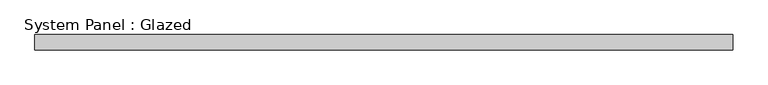
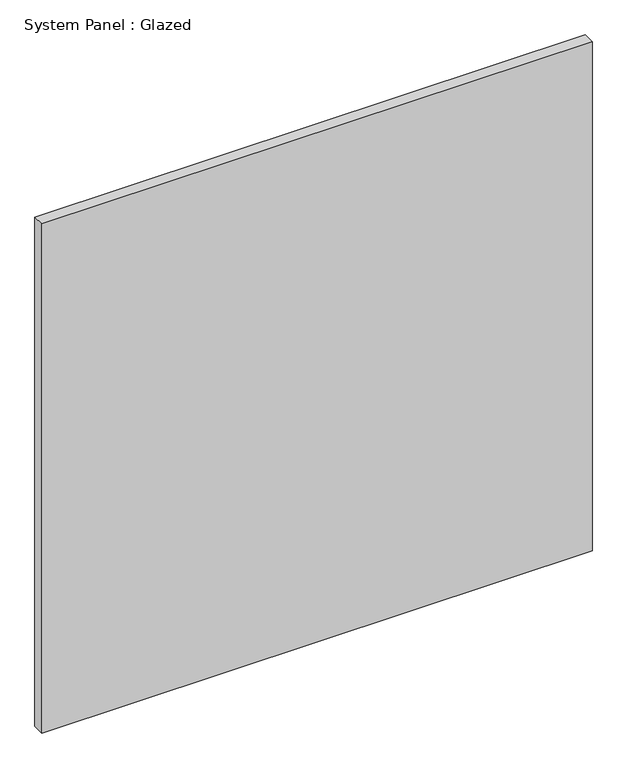
"""IFC4 building model written with IfcOpenShell, lengths in millimetres: plate geometry, System Panel : Glazed."""

from ifc_helpers import new_model, si_unit, origin, origin_with_axes, place, context, project, spatial, polyline, outline, extrude, source, transform, mapped, element, save


def system_panel_glazed_1568516a(model_context):
    return source(origin(), model_context, "Body", "SweptSolid", [
        extrude(outline(polyline([(584.2, -12.7), (-584.2, -12.7), (-584.2, 12.7), (584.2, 12.7), (584.2, -12.7)])), origin_with_axes(), (0.0, 0.0, 1.0), 1143.0),
    ])


if __name__ == "__main__":
    model = new_model("IFC4")
    model_context = context("Model", 3, world=origin())
    ifc_project = project(units=[si_unit("LENGTHUNIT", "METRE", prefix="MILLI")], contexts=[model_context])
    site = spatial("IfcSite", under=ifc_project)
    building = spatial("IfcBuilding", under=site)
    placement = place(None, origin())
    system_panel_glazed_shape = system_panel_glazed_1568516a(model_context)
    element("IfcPlate", 1, ObjectType="System Panel : Glazed", at=placement, inside=building, context=model_context, shape_type="MappedRepresentation", body=[
        mapped(system_panel_glazed_shape, transform((0.0, 0.0, 0.0), x_axis=(1.0, 0.0, 0.0), y_axis=(0.0, 1.0, 0.0), z_axis=(0.0, 0.0, 1.0))),
    ])
    save(model, "model.ifc")
